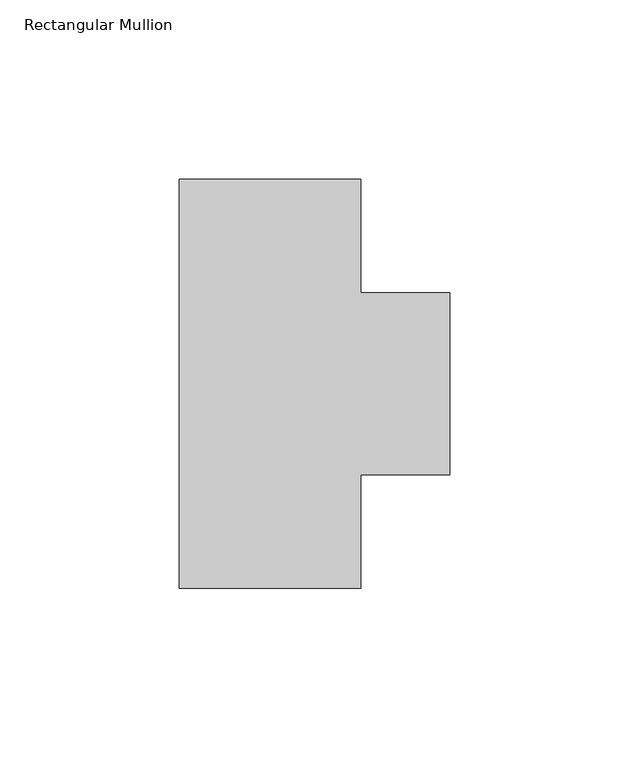
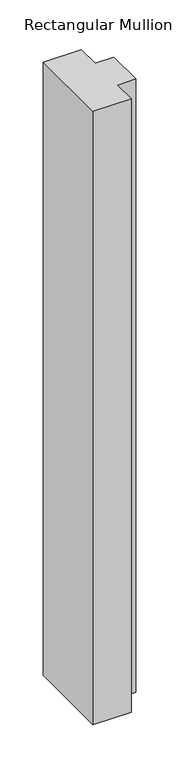
"""IFC4 building model written with IfcOpenShell, lengths in millimetres: member geometry, Rectangular Mullion."""

from ifc_helpers import new_model, si_unit, frame, origin, place, context, project, spatial, polyline, outline, extrude, source, transform, mapped, element, save


def rectangular_mullion_90add160(model_context):
    return source(origin(), model_context, "Body", "SweptSolid", [
        extrude(outline(polyline([(25.4, 57.15), (25.4, 25.3999964), (50.1649855, 25.3999964), (50.1649855, -25.4000036), (25.4, -25.4000036), (25.4, -57.15), (-25.4, -57.15), (-25.4, 57.15), (25.4, 57.15)])), frame((0.0, 0.0, -863.6), z_axis=(0.0, 0.0, 1.0), x_axis=(1.0, 0.0, 0.0)), (0.0, 0.0, 1.0), 863.6),
    ])


if __name__ == "__main__":
    model = new_model("IFC4")
    model_context = context("Model", 3, world=origin())
    ifc_project = project(units=[si_unit("LENGTHUNIT", "METRE", prefix="MILLI")], contexts=[model_context])
    site = spatial("IfcSite", under=ifc_project)
    building = spatial("IfcBuilding", under=site)
    placement = place(None, origin())
    rectangular_mullion_shape = rectangular_mullion_90add160(model_context)
    element("IfcMember", 1, ObjectType="Rectangular Mullion", at=placement, inside=building, context=model_context, shape_type="MappedRepresentation", body=[
        mapped(rectangular_mullion_shape, transform((0.0, 0.0, 0.0), x_axis=(1.0, 0.0, 0.0), y_axis=(0.0, 1.0, 0.0), z_axis=(0.0, 0.0, 1.0))),
    ])
    save(model, "model.ifc")
